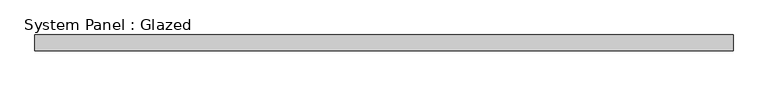
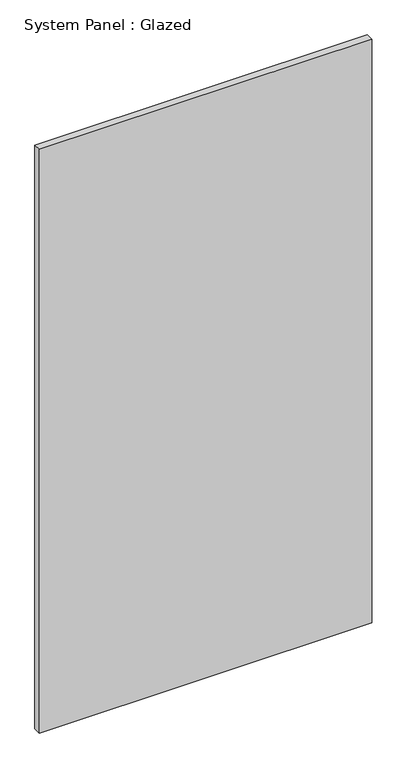
"""IFC4 building model written with IfcOpenShell, lengths in millimetres: plate geometry, System Panel : Glazed."""

import ifcopenshell
import ifcopenshell.guid

model = None  # the IFC model being written
_history = None  # IfcOwnerHistory: only IFC2X3 demands one
_inside = {}  # id of a spatial element -> (the spatial element, [elements in it])
_under = {}  # id of a project, library or spatial element -> (it, [spatial elements below it])
_declared = {}  # id of a project -> (the project, [libraries it declares])
_typed = {}  # id of a type object -> (the type object, [elements of that type])
_made_of = {}  # id of a material, layer set ... -> (it, [elements and type objects made of it])


def new_model(schema):
    """Start an empty IFC model of exactly this schema.

    Asked for "IFC4X3", IfcOpenShell would pick the latest addendum, in which some entities
    have other attributes; the version numbers below select the first issue.
    IFC2X3 requires an IfcOwnerHistory on every rooted entity: one is made here for all.
    """
    global model, _history
    if schema == "IFC4X3":
        model = ifcopenshell.file(schema_version=(4, 3, 0, 0))
    else:
        model = ifcopenshell.file(schema=schema)
    _inside.clear()
    _under.clear()
    _declared.clear()
    _typed.clear()
    _made_of.clear()
    _history = None
    if model.schema == "IFC2X3":
        org = make("IfcOrganization", Name="unknown")
        user = make(
            "IfcPersonAndOrganization",
            ThePerson=make("IfcPerson", FamilyName="unknown"),
            TheOrganization=org,
        )
        app = make(
            "IfcApplication",
            ApplicationDeveloper=org,
            Version="unknown",
            ApplicationFullName="unknown",
            ApplicationIdentifier="unknown",
        )
        _history = make(
            "IfcOwnerHistory",
            OwningUser=user,
            OwningApplication=app,
            ChangeAction="ADDED",
            CreationDate=0,
        )
    return model


def make(cls, **values):
    """One entity of the class cls with the attributes given. An attribute that is None is left unset."""
    return model.create_entity(
        cls, **{name: value for name, value in values.items() if value is not None}
    )


def rooted(cls, **values):
    """An entity with a GlobalId (a new one), such as an element, a storey or a relation."""
    return make(cls, GlobalId=ifcopenshell.guid.new(), OwnerHistory=_history, **values)


def si_unit(unit_type, name, prefix=None):
    """IfcSIUnit, for example si_unit("LENGTHUNIT", "METRE", prefix="MILLI")."""
    return make("IfcSIUnit", UnitType=unit_type, Prefix=prefix, Name=name)


def assignment(units):
    """IfcUnitAssignment: the units of a project."""
    return None if units is None else make("IfcUnitAssignment", Units=units)


def point(xyz):
    """IfcCartesianPoint."""
    return None if xyz is None else make("IfcCartesianPoint", Coordinates=xyz)


def direction(xyz):
    """IfcDirection."""
    return None if xyz is None else make("IfcDirection", DirectionRatios=xyz)


def frame(location, z_axis=None, x_axis=None):
    """IfcAxis2Placement3D, a coordinate frame: its origin and axes. An axis left out is left unset."""
    return make(
        "IfcAxis2Placement3D",
        Location=point(location),
        Axis=direction(z_axis),
        RefDirection=direction(x_axis),
    )


def origin():
    """The frame at (0, 0, 0) with its axes left unset."""
    return frame((0.0, 0.0, 0.0))


def origin_with_axes():
    """The frame at (0, 0, 0) with the z axis (0, 0, 1) and the x axis (1, 0, 0) written out."""
    return frame((0.0, 0.0, 0.0), z_axis=(0.0, 0.0, 1.0), x_axis=(1.0, 0.0, 0.0))


def place(relative_to, where):
    """IfcLocalPlacement: puts the frame where relative to a parent placement (None: the world)."""
    return make(
        "IfcLocalPlacement", PlacementRelTo=relative_to, RelativePlacement=where
    )


def context(
    kind, dimensions, precision=None, world=None, true_north=None, identifier=None
):
    """IfcGeometricRepresentationContext, for example the 3D "Model" context."""
    return make(
        "IfcGeometricRepresentationContext",
        ContextIdentifier=identifier,
        ContextType=kind,
        CoordinateSpaceDimension=dimensions,
        Precision=precision,
        WorldCoordinateSystem=world,
        TrueNorth=true_north,
    )


def project(units=None, contexts=None):
    """IfcProject with its units and contexts."""
    return rooted(
        "IfcProject",
        Name="project",
        RepresentationContexts=contexts,
        UnitsInContext=assignment(units),
    )


def spatial(cls, under=None, at=None, **own):
    """A site, building, storey or space (cls), placed at a placement, below another one or the project."""
    s = rooted(cls, ObjectPlacement=at, **own)
    if under is not None:
        _under.setdefault(under.id(), (under, []))[1].append(s)
    return s


def polyline(points):
    """IfcPolyline through the points."""
    return make("IfcPolyline", Points=[point(p) for p in points])


def outline(outer, holes=None, kind="AREA"):
    """IfcArbitraryClosedProfileDef: a profile drawn as a closed curve; with holes, ...WithVoids."""
    if holes is None:
        return make("IfcArbitraryClosedProfileDef", ProfileType=kind, OuterCurve=outer)
    return make(
        "IfcArbitraryProfileDefWithVoids",
        ProfileType=kind,
        OuterCurve=outer,
        InnerCurves=holes,
    )


def extrude(swept, where, along, depth):
    """IfcExtrudedAreaSolid: the profile swept, set in the frame where, extruded along a direction by depth."""
    return make(
        "IfcExtrudedAreaSolid",
        SweptArea=swept,
        Position=where,
        ExtrudedDirection=direction(along),
        Depth=depth,
    )


def shape(context_of_items, identifier, shape_type, items):
    """IfcShapeRepresentation: the items that make up one representation, for example the "Body"."""
    return make(
        "IfcShapeRepresentation",
        ContextOfItems=context_of_items,
        RepresentationIdentifier=identifier,
        RepresentationType=shape_type,
        Items=items,
    )


def source(mapping_origin, context_of_items, identifier, shape_type, items):
    """IfcRepresentationMap: a shape defined once, which mapped items show again and again."""
    return make(
        "IfcRepresentationMap",
        MappingOrigin=mapping_origin,
        MappedRepresentation=shape(context_of_items, identifier, shape_type, items),
    )


def transform(
    local_origin,
    x_axis=None,
    y_axis=None,
    z_axis=None,
    scale=None,
    scale2=None,
    scale3=None,
    uniform=True,
):
    """IfcCartesianTransformationOperator3D, or its non-uniform kind. x_axis, y_axis, z_axis: its Axis1, 2, 3."""
    if uniform:
        return make(
            "IfcCartesianTransformationOperator3D",
            Axis1=direction(x_axis),
            Axis2=direction(y_axis),
            LocalOrigin=point(local_origin),
            Scale=scale,
            Axis3=direction(z_axis),
        )
    return make(
        "IfcCartesianTransformationOperator3DnonUniform",
        Axis1=direction(x_axis),
        Axis2=direction(y_axis),
        LocalOrigin=point(local_origin),
        Scale=scale,
        Axis3=direction(z_axis),
        Scale2=scale2,
        Scale3=scale3,
    )


def mapped(mapping_source, mapping_target):
    """IfcMappedItem: shows the shape of a source again, moved by a transform."""
    return make(
        "IfcMappedItem", MappingSource=mapping_source, MappingTarget=mapping_target
    )


def made_of(thing, what):
    """Note that an element or type object is made of a material, layer set ...; save() writes the relation."""
    if what is not None:
        _made_of.setdefault(what.id(), (what, []))[1].append(thing)
    return thing


def element(
    cls,
    number,
    at=None,
    inside=None,
    cuts=None,
    type_object=None,
    material=None,
    context=None,
    identifier="Body",
    shape_type=None,
    held_by="IfcProductDefinitionShape",
    body=None,
    shapes=None,
    **own,
):
    """One element of the class cls, such as IfcWall. Its Tag is "e" and its number.

    at: its placement. inside: the storey or other place that contains it. cuts: it is an
    opening in that element (IfcRelVoidsElement). A single representation is given by context,
    identifier, shape_type and body (its items); several are given by shapes. held_by: the class
    of the entity that holds the representations. save() writes the other relations.
    """
    e = rooted(cls, Tag="e%d" % number, ObjectPlacement=at, **own)
    if body is not None:
        shapes = [shape(context, identifier, shape_type, body)]
    if shapes is not None:
        e.Representation = make(held_by, Representations=shapes)
    if inside is not None:
        _inside.setdefault(inside.id(), (inside, []))[1].append(e)
    if cuts is not None:
        rooted(
            "IfcRelVoidsElement", RelatingBuildingElement=cuts, RelatedOpeningElement=e
        )
    if type_object is not None:
        _typed.setdefault(type_object.id(), (type_object, []))[1].append(e)
    return made_of(e, material)


def aggregate(whole, parts):
    """IfcRelAggregates: a whole, such as a stair, and the parts it consists of."""
    return rooted("IfcRelAggregates", RelatingObject=whole, RelatedObjects=parts)


def save(model, path):
    """Write the relations noted so far, then the file.

    IfcRelAggregates (storeys below a building ...), IfcRelContainedInSpatialStructure (elements
    in a storey), IfcRelDefinesByType, IfcRelAssociatesMaterial and IfcRelDeclares: one each for
    every whole, place, type object, material and project.
    """
    for whole, parts in _under.values():
        aggregate(whole, parts)
    for where, things in _inside.values():
        rooted(
            "IfcRelContainedInSpatialStructure",
            RelatedElements=things,
            RelatingStructure=where,
        )
    for kind, things in _typed.values():
        rooted("IfcRelDefinesByType", RelatedObjects=things, RelatingType=kind)
    for what, things in _made_of.values():
        rooted("IfcRelAssociatesMaterial", RelatedObjects=things, RelatingMaterial=what)
    for by, libraries in _declared.values():
        rooted("IfcRelDeclares", RelatingContext=by, RelatedDefinitions=libraries)
    model.write(path)


def system_panel_glazed_e6881ae8(model_context):
    return source(origin(), model_context, "Body", "SweptSolid", [
        extrude(outline(polyline([(556.2500001, 24.5), (-556.2500001, 24.5), (-556.2500001, 49.5), (556.2500001, 49.5), (556.2500001, 24.5)])), origin_with_axes(), (0.0, 0.0, 1.0), 2064.4785963),
    ])


if __name__ == "__main__":
    model = new_model("IFC4")
    model_context = context("Model", 3, world=origin())
    ifc_project = project(units=[si_unit("LENGTHUNIT", "METRE", prefix="MILLI")], contexts=[model_context])
    site = spatial("IfcSite", under=ifc_project)
    building = spatial("IfcBuilding", under=site)
    placement = place(None, origin())
    system_panel_glazed_shape = system_panel_glazed_e6881ae8(model_context)
    element("IfcPlate", 1, ObjectType="System Panel : Glazed", at=placement, inside=building, context=model_context, shape_type="MappedRepresentation", body=[
        mapped(system_panel_glazed_shape, transform((0.0, 0.0, 0.0), x_axis=(1.0, 0.0, 0.0), y_axis=(0.0, 1.0, 0.0), z_axis=(0.0, 0.0, 1.0))),
    ])
    save(model, "model.ifc")
